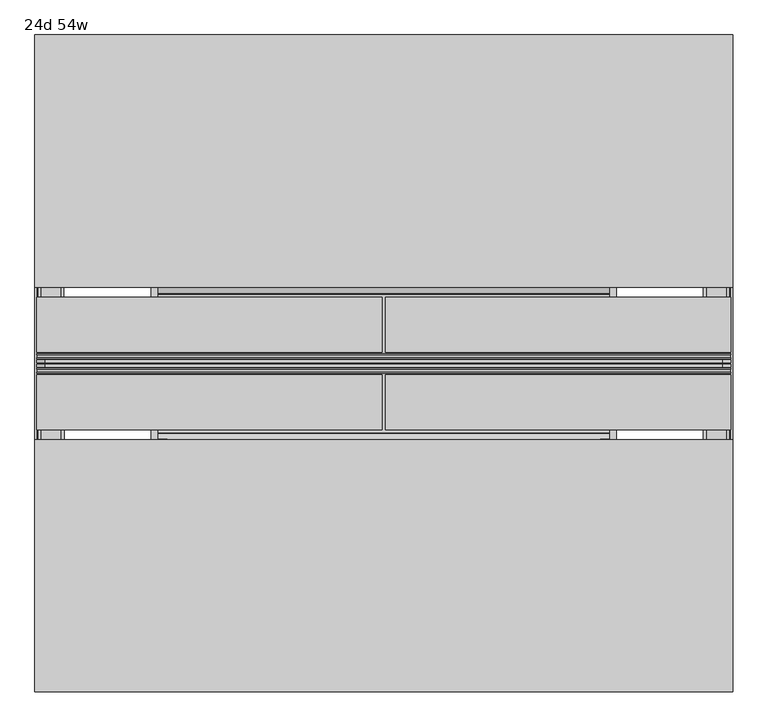
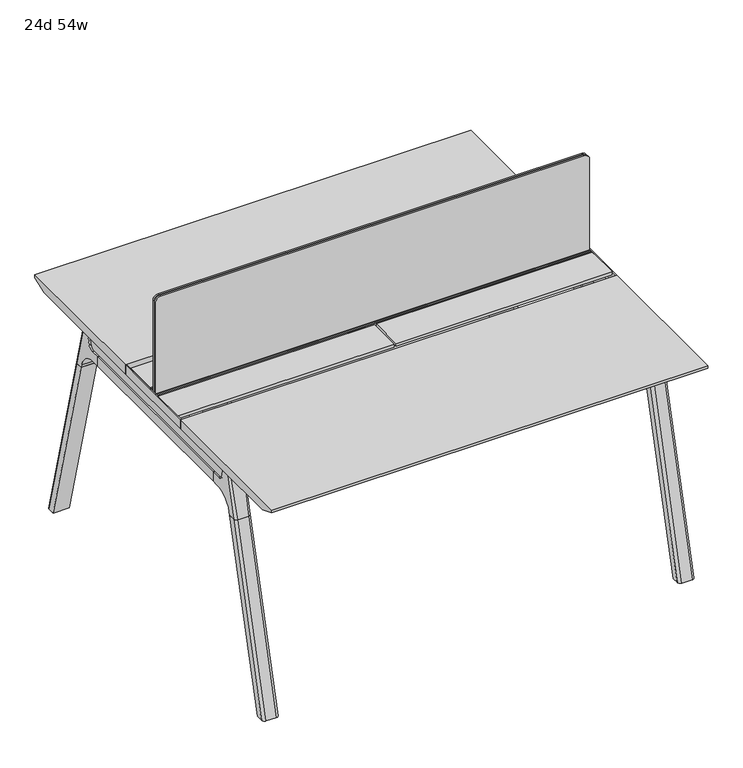
"""IFC4 building model written with IfcOpenShell, lengths in millimetres: furniture geometry, 24d 54w."""

from ifc_helpers import new_model, si_unit, point, frame, frame_2d, origin, place, context, project, spatial, polyline, circle_curve, ellipse_curve, trimmed, segment, composite_curve, outline, extrude, source, transform, mapped, element, save
from ifc_brep_helpers import plane_surface, cylinder_surface, revolved_surface, advanced_brep


def furniture_24d_54w_eca45770(model_context):
    return source(origin(), model_context, "Body", "SolidModel", [
        extrude(outline(composite_curve([segment(polyline([(1054.89375, 879.475), (1054.89375, -447.675)]), True, "CONTINUOUS"), segment(trimmed(circle_curve(frame_2d((1039.01875, -447.675)), 15.875), [point((1054.89375, -447.675))], [point((1039.01875, -463.55))], False, "CARTESIAN"), True, "CONTINUOUS"), segment(polyline([(1039.01875, -463.55), (720.725, -463.55), (720.725, 895.35), (1039.01875, 895.35)]), True, "CONTINUOUS"), segment(trimmed(circle_curve(frame_2d((1039.01875, 879.475)), 15.875), [point((1039.01875, 895.35))], [point((1054.89375, 879.475))], False, "CARTESIAN"), True, "CONTINUOUS")], self_intersect=False)), frame((0.0, -201.3409766, 0.0), z_axis=(0.0, 1.0, 0.0), x_axis=(0.0, 0.0, 1.0)), (0.0, 0.0, 1.0), 3.175),
        extrude(outline(composite_curve([segment(polyline([(1058.06875, 882.65), (1058.06875, -450.85)]), True, "CONTINUOUS"), segment(trimmed(circle_curve(frame_2d((1042.19375, -450.85)), 15.875), [point((1058.06875, -450.85))], [point((1042.19375, -466.725))], False, "CARTESIAN"), True, "CONTINUOUS"), segment(polyline([(1042.19375, -466.725), (717.55, -466.725), (717.55, 898.525), (1042.19375, 898.525)]), True, "CONTINUOUS"), segment(trimmed(circle_curve(frame_2d((1042.19375, 882.65)), 15.875), [point((1042.19375, 898.525))], [point((1058.06875, 882.65))], False, "CARTESIAN"), True, "CONTINUOUS")], self_intersect=False)), frame((0.0, -198.1659766, 0.0), z_axis=(0.0, 1.0, 0.0), x_axis=(0.0, 0.0, 1.0)), (0.0, 0.0, 1.0), 5.55625),
        extrude(outline(composite_curve([segment(polyline([(1058.06875, 882.65), (1058.06875, -450.85)]), True, "CONTINUOUS"), segment(trimmed(circle_curve(frame_2d((1042.19375, -450.85)), 15.875), [point((1058.06875, -450.85))], [point((1042.19375, -466.725))], False, "CARTESIAN"), True, "CONTINUOUS"), segment(polyline([(1042.19375, -466.725), (717.55, -466.725), (717.55, 898.525), (1042.19375, 898.525)]), True, "CONTINUOUS"), segment(trimmed(circle_curve(frame_2d((1042.19375, 882.65)), 15.875), [point((1042.19375, 898.525))], [point((1058.06875, 882.65))], False, "CARTESIAN"), True, "CONTINUOUS")], self_intersect=False)), frame((0.0, -206.8972266, 0.0), z_axis=(0.0, 1.0, 0.0), x_axis=(0.0, 0.0, 1.0)), (0.0, 0.0, 1.0), 5.55625),
        extrude(outline(polyline([(-348.9784469, 559.4636683), (-364.040663, 627.7843353), (-35.4662901, 627.7843353), (-50.5285062, 559.4636683), (-46.7502281, 557.2647146), (-46.7502281, 549.3667827), (-62.6252238, 521.8704736), (-336.8817293, 521.8704736), (-352.756725, 549.3667827), (-352.756725, 557.2647146), (-348.9784469, 559.4636683)])), frame((660.4, 0.0, 0.0), z_axis=(1.0, 0.0, 0.0), x_axis=(0.0, 1.0, 0.0)), (0.0, 0.0, 1.0), 12.7),
        extrude(outline(polyline([(-348.9784469, 559.4636683), (-364.040663, 627.7843353), (-35.4662901, 627.7843353), (-50.5285062, 559.4636683), (-46.7502281, 557.2647146), (-46.7502281, 549.3667827), (-62.6252238, 521.8704736), (-336.8817293, 521.8704736), (-352.756725, 549.3667827), (-352.756725, 557.2647146), (-348.9784469, 559.4636683)])), frame((-241.3, 0.0, 0.0), z_axis=(1.0, 0.0, 0.0), x_axis=(0.0, 1.0, 0.0)), (0.0, 0.0, 1.0), 12.7),
        extrude(outline(polyline([(-18.0090763, 698.5), (3.7767266, 698.5), (3.7767266, 697.2935087), (-17.4495292, 697.2935087), (-19.0070753, 695.7359626), (-49.1186716, 559.1528512), (-50.5285062, 559.4636683), (-20.404074, 696.1050023), (-18.0090763, 698.5)])), frame((-241.3, 0.0, 0.0), z_axis=(1.0, 0.0, 0.0), x_axis=(0.0, 1.0, 0.0)), (0.0, 0.0, 1.0), 31.8008024),
        extrude(outline(polyline([(-381.4978768, 698.5), (-379.1028791, 696.1050023), (-348.9784469, 559.4636683), (-350.3882815, 559.1528512), (-380.4998778, 695.7359626), (-382.0574239, 697.2935087), (-403.2836797, 697.2935087), (-403.2836797, 698.5), (-381.4978768, 698.5)])), frame((-241.3, 0.0, 0.0), z_axis=(1.0, 0.0, 0.0), x_axis=(0.0, 1.0, 0.0)), (0.0, 0.0, 1.0), 31.8008024),
        extrude(outline(polyline([(-18.0090763, 698.5), (3.7767266, 698.5), (3.7767266, 697.2935087), (-17.4495292, 697.2935087), (-19.0070753, 695.7359626), (-49.1186716, 559.1528512), (-50.5285062, 559.4636683), (-20.404074, 696.1050023), (-18.0090763, 698.5)])), frame((641.2991976, 0.0, 0.0), z_axis=(1.0, 0.0, 0.0), x_axis=(0.0, 1.0, 0.0)), (0.0, 0.0, 1.0), 31.8008024),
        extrude(outline(polyline([(-381.4978768, 698.5), (-379.1028791, 696.1050023), (-348.9784469, 559.4636683), (-350.3882815, 559.1528512), (-380.4998778, 695.7359626), (-382.0574239, 697.2935087), (-403.2836797, 697.2935087), (-403.2836797, 698.5), (-381.4978768, 698.5)])), frame((641.2991976, 0.0, 0.0), z_axis=(1.0, 0.0, 0.0), x_axis=(0.0, 1.0, 0.0)), (0.0, 0.0, 1.0), 31.8008024),
        extrude(outline(polyline([(-353.550475, 557.5934966), (-351.518477, 559.6254947), (-350.957211, 559.0642287), (-352.756725, 557.2647146), (-352.756725, 549.3667827), (-352.5317745, 548.5272622), (-337.4390802, 522.3859395), (-336.0037101, 521.5572272), (-63.503243, 521.5572272), (-62.0678729, 522.3859395), (-46.9751786, 548.5272622), (-46.7502281, 549.3667827), (-46.7502281, 557.2647146), (-48.5497421, 559.0642287), (-47.9884761, 559.6254947), (-45.9564781, 557.5934966), (-45.9564781, 549.2622828), (-46.2355217, 548.2208856), (-61.4868074, 521.8048744), (-63.2905581, 520.7634772), (-336.216395, 520.7634772), (-338.0201457, 521.8048744), (-353.2714314, 548.2208856), (-353.550475, 549.2622828), (-353.550475, 557.5934966)])), frame((-241.2492037, 0.0, 0.0), z_axis=(1.0, 0.0, 0.0), x_axis=(0.0, 1.0, 0.0)), (0.0, 0.0, 1.0), 914.3492037),
        extrude(outline(polyline([(-218.8034766, 715.9625), (-218.8034766, 741.3625), (-217.2159766, 741.3625), (-217.2159766, 720.725), (-210.8659766, 720.725), (-210.8659766, 741.3625), (-209.2784766, 741.3625), (-209.2784766, 717.55), (-190.2284766, 717.55), (-190.2284766, 741.3625), (-188.6409766, 741.3625), (-188.6409766, 720.725), (-182.2909766, 720.725), (-182.2909766, 741.3625), (-180.7034766, 741.3625), (-180.7034766, 715.9625), (-218.8034766, 715.9625)])), frame((-466.725, 0.0, 0.0), z_axis=(1.0, 0.0, 0.0), x_axis=(0.0, 1.0, 0.0)), (0.0, 0.0, 1.0), 1365.25),
        extrude(outline(composite_curve([segment(polyline([(175.6902734, 711.2), (166.6321726, 677.3947076)]), True, "CONTINUOUS"), segment(trimmed(circle_curve(frame_2d((151.2981001, 681.5034599)), 15.875), [point((166.6321726, 677.3947076))], [point((151.2981001, 665.6284599))], False, "CARTESIAN"), True, "CONTINUOUS"), segment(polyline([(151.2981001, 665.6284599), (-550.8050533, 665.6284599)]), True, "CONTINUOUS"), segment(trimmed(circle_curve(frame_2d((-550.8050533, 681.5034599)), 15.875), [point((-550.8050533, 665.6284599))], [point((-566.1391258, 677.3947076))], False, "CARTESIAN"), True, "CONTINUOUS"), segment(polyline([(-566.1391258, 677.3947076), (-575.1972266, 711.2), (175.6902734, 711.2)]), True, "CONTINUOUS")], self_intersect=False)), frame((850.9, 0.0, 0.0), z_axis=(1.0, 0.0, 0.0), x_axis=(0.0, 1.0, 0.0)), (0.0, 0.0, 1.0), 38.1),
        extrude(outline(polyline([(895.35, 115.3652734), (895.35, -514.8722266), (844.55, -514.8722266), (844.55, 115.3652734), (895.35, 115.3652734)])), frame((0.0, 0.0, 635.6476591), z_axis=(0.0, 0.0, 1.0), x_axis=(1.0, 0.0, 0.0)), (0.0, 0.0, 1.0), 29.9808008),
        extrude(outline(composite_curve([segment(polyline([(175.6902734, 711.2), (166.6321726, 677.3947076)]), True, "CONTINUOUS"), segment(trimmed(circle_curve(frame_2d((151.2981001, 681.5034599)), 15.875), [point((166.6321726, 677.3947076))], [point((151.2981001, 665.6284599))], False, "CARTESIAN"), True, "CONTINUOUS"), segment(polyline([(151.2981001, 665.6284599), (-550.8050533, 665.6284599)]), True, "CONTINUOUS"), segment(trimmed(circle_curve(frame_2d((-550.8050533, 681.5034599)), 15.875), [point((-550.8050533, 665.6284599))], [point((-566.1391258, 677.3947076))], False, "CARTESIAN"), True, "CONTINUOUS"), segment(polyline([(-566.1391258, 677.3947076), (-575.1972266, 711.2), (175.6902734, 711.2)]), True, "CONTINUOUS")], self_intersect=False)), frame((-457.2, 0.0, 0.0), z_axis=(1.0, 0.0, 0.0), x_axis=(0.0, 1.0, 0.0)), (0.0, 0.0, 1.0), 38.1),
        extrude(outline(polyline([(-412.75, 115.3652734), (-412.75, -514.8722266), (-463.55, -514.8722266), (-463.55, 115.3652734), (-412.75, 115.3652734)])), frame((0.0, 0.0, 635.6476591), z_axis=(0.0, 0.0, 1.0), x_axis=(1.0, 0.0, 0.0)), (0.0, 0.0, 1.0), 29.9808008),
        advanced_brep(
        [(844.55, -568.8935553, 711.2), (844.55, -559.8354545, 677.3947076), (844.55, -544.501382, 665.6284599), (844.55, -514.8722266, 665.6284599), (844.55, -514.8722266, 635.6476591), (844.55, -537.7434588, 635.6476591), (844.55, -602.1465633, 586.2294189), (844.55, -604.7047754, 576.6820411), (844.55, -625.8087453, 576.6820411), (844.55, -590.3601017, 711.2), (895.35, -604.7047754, 576.6820411), (895.35, -602.1465633, 586.2294189), (895.35, -537.7434588, 635.6476591), (895.35, -514.8722266, 635.6476591), (895.35, -514.8722266, 665.6284599), (895.35, -544.501382, 665.6284599), (895.35, -559.8354545, 677.3947076), (895.35, -568.8935553, 711.2), (895.35, -590.3601017, 711.2), (895.35, -625.8087453, 576.6820411), (850.8138162, -599.6149462, 711.2), (889.0861838, -599.6149462, 711.2), (885.825, -635.6589247, 576.6820411), (854.075, -635.6589247, 576.6820411)],
        [
            (0, 1),
            (1, 2, circle_curve(frame((844.55, -544.501382, 681.5034599), z_axis=(1.0, 0.0, 0.0), x_axis=(0.0, -1.0, 0.0)), 15.875)),
            (2, 3),
            (3, 4),
            (4, 5),
            (5, 6, circle_curve(frame((844.55, -537.7434588, 568.9726591), z_axis=(1.0, 0.0, 0.0), x_axis=(0.0, -1.0, 0.0)), 66.675)),
            (6, 7),
            (7, 8),
            (8, 9),
            (9, 0),
            (10, 11),
            (11, 12, circle_curve(frame((895.35, -537.7434588, 568.9726591), z_axis=(-1.0, 0.0, 0.0), x_axis=(0.0, -1.0, 0.0)), 66.675)),
            (12, 13),
            (13, 14),
            (14, 15),
            (15, 16, circle_curve(frame((895.35, -544.501382, 681.5034599), z_axis=(-1.0, 0.0, 0.0), x_axis=(0.0, -1.0, 0.0)), 15.875)),
            (16, 17),
            (17, 18),
            (18, 19),
            (19, 10),
            (17, 0),
            (9, 20, ellipse_curve(frame((854.075, -590.3601017, 711.2), z_axis=(0.0, 0.0, 1.0), x_axis=(0.0, -1.0, 0.0)), 9.8501793, 9.525)),
            (20, 21),
            (21, 18, ellipse_curve(frame((885.825, -590.3601017, 711.2), z_axis=(0.0, 0.0, 1.0), x_axis=(0.0, -1.0, 0.0)), 9.8501793, 9.525)),
            (16, 1),
            (15, 2),
            (14, 3),
            (13, 4),
            (12, 5),
            (11, 6),
            (10, 7),
            (19, 22, ellipse_curve(frame((885.825, -625.8087453, 576.6820411), z_axis=(0.0, 0.0, -1.0), x_axis=(0.0, -1.0, 0.0)), 9.8501793, 9.525)),
            (22, 23),
            (23, 8, ellipse_curve(frame((854.075, -625.8087453, 576.6820411), z_axis=(0.0, 0.0, -1.0), x_axis=(0.0, -1.0, 0.0)), 9.8501793, 9.525)),
            (20, 23, ellipse_curve(frame((854.075, -39.2892106, 2802.3641142), z_axis=(0.0, -0.9659258262890684, 0.2588190451025206), x_axis=(0.0, -0.2588190451025206, -0.9659258262890684)), 2304.1956354, 9.525)),
            (22, 21, ellipse_curve(frame((885.825, -39.2892106, 2802.3641142), z_axis=(0.0, -0.9659258262890684, 0.2588190451025206), x_axis=(0.0, -0.2588190451025206, -0.9659258262890684)), 2304.1956354, 9.525)),
        ],
        [
            plane_surface(frame((844.55, -599.6149462, 711.2), z_axis=(-1.0, 0.0, 0.0), x_axis=(0.0, 1.0, 0.0))),
            plane_surface(frame((895.35, -599.6149462, 711.2), z_axis=(1.0, 0.0, 0.0), x_axis=(0.0, -1.0, 0.0))),
            plane_surface(frame((844.55, -599.6149462, 711.2), z_axis=(0.0, 0.0, 1.0), x_axis=(1.0, 0.0, 0.0))),
            plane_surface(frame((844.55, -568.8935553, 711.2), z_axis=(0.0, 0.9659258262890683, 0.2588190451025207), x_axis=(1.0, 0.0, 0.0))),
            revolved_surface(polyline([(895.35, -560.376382, 681.5034599), (844.55, -560.376382, 681.5034599)]), (895.35, -544.501382, 681.5034599), (1.0, 0.0, 0.0)),
            plane_surface(frame((844.55, -544.501382, 665.6284599), z_axis=(0.0, 0.0, 1.0), x_axis=(1.0, 0.0, 0.0))),
            plane_surface(frame((844.55, -514.8722266, 665.6284599), z_axis=(0.0, 1.0, 0.0), x_axis=(1.0, 0.0, 0.0))),
            plane_surface(frame((844.55, -514.8722266, 635.6476591), z_axis=(0.0, 0.0, -1.0), x_axis=(1.0, 0.0, 0.0))),
            revolved_surface(polyline([(895.35, -604.4184587999999, 568.9726591), (844.55, -604.4184587999999, 568.9726591)]), (895.35, -537.7434588, 568.9726591), (1.0, 0.0, 0.0)),
            plane_surface(frame((844.55, -602.1465633, 586.2294189), z_axis=(0.0, 0.9659258262890693, -0.25881904510251696), x_axis=(1.0, 0.0, 0.0))),
            plane_surface(frame((844.55, -604.7047754, 576.6820411), z_axis=(0.0, 0.0, -1.0), x_axis=(1.0, 0.0, 0.0))),
            plane_surface(frame((844.55, -635.6589247, 576.6820411), z_axis=(0.0, -0.9659258262890684, 0.2588190451025206), x_axis=(1.0, 0.0, 0.0))),
            cylinder_surface(frame((854.075, -778.4176402, -2.4271979), z_axis=(0.0, -0.25482392474081483, -0.966987470125486), x_axis=(1.0, 0.0, 0.0)), 9.525),
            cylinder_surface(frame((885.825, -778.4176402, -2.4271979), z_axis=(0.0, -0.25482392474081483, -0.966987470125486), x_axis=(1.0, 0.0, 0.0)), 9.525),
        ],
        [
            (0, [[1, 2, 3, 4, 5, 6, 7, 8, 9, 10]]),
            (1, [[11, 12, 13, 14, 15, 16, 17, 18, 19, 20]]),
            (2, [[21, -10, 22, 23, 24, -18]]),
            (3, [[-1, -21, -17, 25]]),
            (4, [[-2, -25, -16, 26]]),
            (5, [[-3, -26, -15, 27]]),
            (6, [[-4, -27, -14, 28]]),
            (7, [[-5, -28, -13, 29]]),
            (8, [[-6, -29, -12, 30]]),
            (9, [[-7, -30, -11, 31]]),
            (10, [[-31, -20, 32, 33, 34, -8]]),
            (11, [[-23, 35, -33, 36]]),
            (12, [[-9, -34, -35, -22]]),
            (13, [[-19, -24, -36, -32]]),
        ],
    ),
        advanced_brep(
        [(844.55, -604.7047754, 576.6820411), (844.55, -756.6740466, 0.0), (844.55, -777.7780165, 0.0), (844.55, -625.8087453, 576.6820411), (895.35, -756.6740466, 0.0), (895.35, -604.7047754, 576.6820411), (895.35, -625.8087453, 576.6820411), (895.35, -777.7780165, 0.0), (854.075, -635.6589247, 576.6820411), (885.825, -635.6589247, 576.6820411), (885.825, -787.6281958, 0.0), (854.075, -787.6281958, 0.0)],
        [
            (0, 1),
            (1, 2),
            (2, 3),
            (3, 0),
            (4, 5),
            (5, 6),
            (6, 7),
            (7, 4),
            (5, 0),
            (3, 8, ellipse_curve(frame((854.075, -625.8087453, 576.6820411), z_axis=(0.0, 0.0, 1.0), x_axis=(0.0, -1.0, 0.0)), 9.8501793, 9.525)),
            (8, 9),
            (9, 6, ellipse_curve(frame((885.825, -625.8087453, 576.6820411), z_axis=(0.0, 0.0, 1.0), x_axis=(0.0, -1.0, 0.0)), 9.8501793, 9.525)),
            (4, 1),
            (7, 10, ellipse_curve(frame((885.825, -777.7780165, 0.0), z_axis=(0.0, 0.0, -1.0), x_axis=(0.0, -1.0, 0.0)), 9.8501793, 9.525)),
            (10, 11),
            (11, 2, ellipse_curve(frame((854.075, -777.7780165, 0.0), z_axis=(0.0, 0.0, -1.0), x_axis=(0.0, -1.0, 0.0)), 9.8501793, 9.525)),
            (8, 11),
            (10, 9),
        ],
        [
            plane_surface(frame((844.55, -635.6589247, 576.6820411), z_axis=(-1.0, 0.0, 0.0), x_axis=(0.0, 1.0, 0.0))),
            plane_surface(frame((895.35, -635.6589247, 576.6820411), z_axis=(1.0, 0.0, 0.0), x_axis=(0.0, -1.0, 0.0))),
            plane_surface(frame((844.55, -635.6589247, 576.6820411), z_axis=(0.0, 0.0, 1.0), x_axis=(1.0, 0.0, 0.0))),
            plane_surface(frame((844.55, -604.7047754, 576.6820411), z_axis=(0.0, 0.9669874701254844, -0.2548239247408208), x_axis=(1.0, 0.0, 0.0))),
            plane_surface(frame((844.55, -756.6740466, 0.0), z_axis=(0.0, 0.0, -1.0), x_axis=(1.0, 0.0, 0.0))),
            plane_surface(frame((844.55, -787.6281958, 0.0), z_axis=(0.0, -0.9669874701254855, 0.2548239247408166), x_axis=(1.0, 0.0, 0.0))),
            cylinder_surface(frame((854.075, -778.4176402, -2.4271979), z_axis=(0.0, -0.25482392474081483, -0.966987470125486), x_axis=(1.0, 0.0, 0.0)), 9.525),
            cylinder_surface(frame((885.825, -778.4176402, -2.4271979), z_axis=(0.0, -0.25482392474081483, -0.966987470125486), x_axis=(1.0, 0.0, 0.0)), 9.525),
        ],
        [
            (0, [[1, 2, 3, 4]]),
            (1, [[5, 6, 7, 8]]),
            (2, [[9, -4, 10, 11, 12, -6]]),
            (3, [[-1, -9, -5, 13]]),
            (4, [[-13, -8, 14, 15, 16, -2]]),
            (5, [[-11, 17, -15, 18]]),
            (6, [[-3, -16, -17, -10]]),
            (7, [[-7, -12, -18, -14]]),
        ],
    ),
        advanced_brep(
        [(895.35, 169.3866022, 711.2), (895.35, 160.3285014, 677.3947076), (895.35, 144.9944289, 665.6284599), (895.35, 115.3652734, 665.6284599), (895.35, 115.3652734, 635.6476591), (895.35, 138.2365057, 635.6476591), (895.35, 202.6396101, 586.2294189), (895.35, 205.1978223, 576.6820411), (895.35, 226.3017922, 576.6820411), (895.35, 190.8531486, 711.2), (844.55, 205.1978223, 576.6820411), (844.55, 202.6396101, 586.2294189), (844.55, 138.2365057, 635.6476591), (844.55, 115.3652734, 635.6476591), (844.55, 115.3652734, 665.6284599), (844.55, 144.9944289, 665.6284599), (844.55, 160.3285014, 677.3947076), (844.55, 169.3866022, 711.2), (844.55, 190.8531486, 711.2), (844.55, 226.3017922, 576.6820411), (889.0861838, 200.1079931, 711.2), (850.8138162, 200.1079931, 711.2), (854.075, 236.1519716, 576.6820411), (885.825, 236.1519716, 576.6820411)],
        [
            (0, 1),
            (1, 2, circle_curve(frame((895.35, 144.9944289, 681.5034599), z_axis=(-1.0, 0.0, 0.0), x_axis=(0.0, 1.0, 0.0)), 15.875)),
            (2, 3),
            (3, 4),
            (4, 5),
            (5, 6, circle_curve(frame((895.35, 138.2365057, 568.9726591), z_axis=(-1.0, 0.0, 0.0), x_axis=(0.0, 1.0, 0.0)), 66.675)),
            (6, 7),
            (7, 8),
            (8, 9),
            (9, 0),
            (10, 11),
            (11, 12, circle_curve(frame((844.55, 138.2365057, 568.9726591), z_axis=(1.0, 0.0, 0.0), x_axis=(0.0, 1.0, 0.0)), 66.675)),
            (12, 13),
            (13, 14),
            (14, 15),
            (15, 16, circle_curve(frame((844.55, 144.9944289, 681.5034599), z_axis=(1.0, 0.0, 0.0), x_axis=(0.0, 1.0, 0.0)), 15.875)),
            (16, 17),
            (17, 18),
            (18, 19),
            (19, 10),
            (17, 0),
            (9, 20, ellipse_curve(frame((885.825, 190.8531486, 711.2), z_axis=(0.0, 0.0, 1.0), x_axis=(0.0, 1.0, 0.0)), 9.8501793, 9.525)),
            (20, 21),
            (21, 18, ellipse_curve(frame((854.075, 190.8531486, 711.2), z_axis=(0.0, 0.0, 1.0), x_axis=(0.0, 1.0, 0.0)), 9.8501793, 9.525)),
            (16, 1),
            (15, 2),
            (14, 3),
            (13, 4),
            (12, 5),
            (11, 6),
            (10, 7),
            (19, 22, ellipse_curve(frame((854.075, 226.3017922, 576.6820411), z_axis=(0.0, 0.0, -1.0), x_axis=(0.0, 1.0, 0.0)), 9.8501793, 9.525)),
            (22, 23),
            (23, 8, ellipse_curve(frame((885.825, 226.3017922, 576.6820411), z_axis=(0.0, 0.0, -1.0), x_axis=(0.0, 1.0, 0.0)), 9.8501793, 9.525)),
            (20, 23, ellipse_curve(frame((885.825, -360.2177425, 2802.3641142), z_axis=(0.0, 0.9659258262890684, 0.2588190451025206), x_axis=(0.0, 0.2588190451025206, -0.9659258262890684)), 2304.1956354, 9.525)),
            (22, 21, ellipse_curve(frame((854.075, -360.2177425, 2802.3641142), z_axis=(0.0, 0.9659258262890684, 0.2588190451025206), x_axis=(0.0, 0.2588190451025206, -0.9659258262890684)), 2304.1956354, 9.525)),
        ],
        [
            plane_surface(frame((895.35, 200.1079931, 711.2), z_axis=(1.0, 0.0, 0.0), x_axis=(0.0, -1.0, 0.0))),
            plane_surface(frame((844.55, 200.1079931, 711.2), z_axis=(-1.0, 0.0, 0.0), x_axis=(0.0, 1.0, 0.0))),
            plane_surface(frame((895.35, 200.1079931, 711.2), z_axis=(0.0, 0.0, 1.0), x_axis=(-1.0, 0.0, 0.0))),
            plane_surface(frame((895.35, 169.3866022, 711.2), z_axis=(0.0, -0.9659258262890683, 0.2588190451025207), x_axis=(-1.0, 0.0, 0.0))),
            revolved_surface(polyline([(844.55, 160.8694289, 681.5034599), (895.35, 160.8694289, 681.5034599)]), (844.55, 144.9944289, 681.5034599), (-1.0, 0.0, 0.0)),
            plane_surface(frame((895.35, 144.9944289, 665.6284599), z_axis=(0.0, 0.0, 1.0), x_axis=(-1.0, 0.0, 0.0))),
            plane_surface(frame((895.35, 115.3652734, 665.6284599), z_axis=(0.0, -1.0, 0.0), x_axis=(-1.0, 0.0, 0.0))),
            plane_surface(frame((895.35, 115.3652734, 635.6476591), z_axis=(0.0, 0.0, -1.0), x_axis=(-1.0, 0.0, 0.0))),
            revolved_surface(polyline([(844.55, 204.91150570000002, 568.9726591), (895.35, 204.91150570000002, 568.9726591)]), (844.55, 138.2365057, 568.9726591), (-1.0, 0.0, 0.0)),
            plane_surface(frame((895.35, 202.6396101, 586.2294189), z_axis=(0.0, -0.9659258262890693, -0.25881904510251696), x_axis=(-1.0, 0.0, 0.0))),
            plane_surface(frame((895.35, 205.1978223, 576.6820411), z_axis=(0.0, 0.0, -1.0), x_axis=(-1.0, 0.0, 0.0))),
            plane_surface(frame((895.35, 236.1519716, 576.6820411), z_axis=(0.0, 0.9659258262890684, 0.2588190451025206), x_axis=(-1.0, 0.0, 0.0))),
            cylinder_surface(frame((885.825, 378.9106871, -2.4271979), z_axis=(0.0, 0.25482392474081483, -0.966987470125486), x_axis=(-1.0, 0.0, 0.0)), 9.525),
            cylinder_surface(frame((854.075, 378.9106871, -2.4271979), z_axis=(0.0, 0.25482392474081483, -0.966987470125486), x_axis=(-1.0, 0.0, 0.0)), 9.525),
        ],
        [
            (0, [[1, 2, 3, 4, 5, 6, 7, 8, 9, 10]]),
            (1, [[11, 12, 13, 14, 15, 16, 17, 18, 19, 20]]),
            (2, [[21, -10, 22, 23, 24, -18]]),
            (3, [[-1, -21, -17, 25]]),
            (4, [[-2, -25, -16, 26]]),
            (5, [[-3, -26, -15, 27]]),
            (6, [[-4, -27, -14, 28]]),
            (7, [[-5, -28, -13, 29]]),
            (8, [[-6, -29, -12, 30]]),
            (9, [[-7, -30, -11, 31]]),
            (10, [[-31, -20, 32, 33, 34, -8]]),
            (11, [[-23, 35, -33, 36]]),
            (12, [[-9, -34, -35, -22]]),
            (13, [[-19, -24, -36, -32]]),
        ],
    ),
        advanced_brep(
        [(895.35, 205.1978223, 576.6820411), (895.35, 357.1670935, 0.0), (895.35, 378.2710634, 0.0), (895.35, 226.3017922, 576.6820411), (844.55, 357.1670935, 0.0), (844.55, 205.1978223, 576.6820411), (844.55, 226.3017922, 576.6820411), (844.55, 378.2710634, 0.0), (885.825, 236.1519716, 576.6820411), (854.075, 236.1519716, 576.6820411), (854.075, 388.1212427, 0.0), (885.825, 388.1212427, 0.0)],
        [
            (0, 1),
            (1, 2),
            (2, 3),
            (3, 0),
            (4, 5),
            (5, 6),
            (6, 7),
            (7, 4),
            (5, 0),
            (3, 8, ellipse_curve(frame((885.825, 226.3017922, 576.6820411), z_axis=(0.0, 0.0, 1.0), x_axis=(0.0, 1.0, 0.0)), 9.8501793, 9.525)),
            (8, 9),
            (9, 6, ellipse_curve(frame((854.075, 226.3017922, 576.6820411), z_axis=(0.0, 0.0, 1.0), x_axis=(0.0, 1.0, 0.0)), 9.8501793, 9.525)),
            (4, 1),
            (7, 10, ellipse_curve(frame((854.075, 378.2710634, 0.0), z_axis=(0.0, 0.0, -1.0), x_axis=(0.0, 1.0, 0.0)), 9.8501793, 9.525)),
            (10, 11),
            (11, 2, ellipse_curve(frame((885.825, 378.2710634, 0.0), z_axis=(0.0, 0.0, -1.0), x_axis=(0.0, 1.0, 0.0)), 9.8501793, 9.525)),
            (8, 11),
            (10, 9),
        ],
        [
            plane_surface(frame((895.35, 236.1519716, 576.6820411), z_axis=(1.0, 0.0, 0.0), x_axis=(0.0, -1.0, 0.0))),
            plane_surface(frame((844.55, 236.1519716, 576.6820411), z_axis=(-1.0, 0.0, 0.0), x_axis=(0.0, 1.0, 0.0))),
            plane_surface(frame((895.35, 236.1519716, 576.6820411), z_axis=(0.0, 0.0, 1.0), x_axis=(-1.0, 0.0, 0.0))),
            plane_surface(frame((895.35, 205.1978223, 576.6820411), z_axis=(0.0, -0.9669874701254844, -0.2548239247408208), x_axis=(-1.0, 0.0, 0.0))),
            plane_surface(frame((895.35, 357.1670935, 0.0), z_axis=(0.0, 0.0, -1.0), x_axis=(-1.0, 0.0, 0.0))),
            plane_surface(frame((895.35, 388.1212427, 0.0), z_axis=(0.0, 0.9669874701254855, 0.2548239247408166), x_axis=(-1.0, 0.0, 0.0))),
            cylinder_surface(frame((885.825, 378.9106871, -2.4271979), z_axis=(0.0, 0.25482392474081483, -0.966987470125486), x_axis=(-1.0, 0.0, 0.0)), 9.525),
            cylinder_surface(frame((854.075, 378.9106871, -2.4271979), z_axis=(0.0, 0.25482392474081483, -0.966987470125486), x_axis=(-1.0, 0.0, 0.0)), 9.525),
        ],
        [
            (0, [[1, 2, 3, 4]]),
            (1, [[5, 6, 7, 8]]),
            (2, [[9, -4, 10, 11, 12, -6]]),
            (3, [[-1, -9, -5, 13]]),
            (4, [[-13, -8, 14, 15, 16, -2]]),
            (5, [[-11, 17, -15, 18]]),
            (6, [[-3, -16, -17, -10]]),
            (7, [[-7, -12, -18, -14]]),
        ],
    ),
        advanced_brep(
        [(-412.75, 169.3866022, 711.2), (-412.75, 160.3285014, 677.3947076), (-412.75, 144.9944289, 665.6284599), (-412.75, 115.3652734, 665.6284599), (-412.75, 115.3652734, 635.6476591), (-412.75, 138.2365057, 635.6476591), (-412.75, 202.6396101, 586.2294189), (-412.75, 205.1978223, 576.6820411), (-412.75, 226.3017922, 576.6820411), (-412.75, 190.8531486, 711.2), (-463.55, 205.1978223, 576.6820411), (-463.55, 202.6396101, 586.2294189), (-463.55, 138.2365057, 635.6476591), (-463.55, 115.3652734, 635.6476591), (-463.55, 115.3652734, 665.6284599), (-463.55, 144.9944289, 665.6284599), (-463.55, 160.3285014, 677.3947076), (-463.55, 169.3866022, 711.2), (-463.55, 190.8531486, 711.2), (-463.55, 226.3017922, 576.6820411), (-419.0138162, 200.1079931, 711.2), (-457.2861838, 200.1079931, 711.2), (-454.025, 236.1519716, 576.6820411), (-422.275, 236.1519716, 576.6820411)],
        [
            (0, 1),
            (1, 2, circle_curve(frame((-412.75, 144.9944289, 681.5034599), z_axis=(-1.0, 0.0, 0.0), x_axis=(0.0, 1.0, 0.0)), 15.875)),
            (2, 3),
            (3, 4),
            (4, 5),
            (5, 6, circle_curve(frame((-412.75, 138.2365057, 568.9726591), z_axis=(-1.0, 0.0, 0.0), x_axis=(0.0, 1.0, 0.0)), 66.675)),
            (6, 7),
            (7, 8),
            (8, 9),
            (9, 0),
            (10, 11),
            (11, 12, circle_curve(frame((-463.55, 138.2365057, 568.9726591), z_axis=(1.0, 0.0, 0.0), x_axis=(0.0, 1.0, 0.0)), 66.675)),
            (12, 13),
            (13, 14),
            (14, 15),
            (15, 16, circle_curve(frame((-463.55, 144.9944289, 681.5034599), z_axis=(1.0, 0.0, 0.0), x_axis=(0.0, 1.0, 0.0)), 15.875)),
            (16, 17),
            (17, 18),
            (18, 19),
            (19, 10),
            (17, 0),
            (9, 20, ellipse_curve(frame((-422.275, 190.8531486, 711.2), z_axis=(0.0, 0.0, 1.0), x_axis=(0.0, 1.0, 0.0)), 9.8501793, 9.525)),
            (20, 21),
            (21, 18, ellipse_curve(frame((-454.025, 190.8531486, 711.2), z_axis=(0.0, 0.0, 1.0), x_axis=(0.0, 1.0, 0.0)), 9.8501793, 9.525)),
            (16, 1),
            (15, 2),
            (14, 3),
            (13, 4),
            (12, 5),
            (11, 6),
            (10, 7),
            (19, 22, ellipse_curve(frame((-454.025, 226.3017922, 576.6820411), z_axis=(0.0, 0.0, -1.0), x_axis=(0.0, 1.0, 0.0)), 9.8501793, 9.525)),
            (22, 23),
            (23, 8, ellipse_curve(frame((-422.275, 226.3017922, 576.6820411), z_axis=(0.0, 0.0, -1.0), x_axis=(0.0, 1.0, 0.0)), 9.8501793, 9.525)),
            (20, 23, ellipse_curve(frame((-422.275, -360.2177425, 2802.3641142), z_axis=(0.0, 0.9659258262890684, 0.2588190451025206), x_axis=(0.0, 0.2588190451025206, -0.9659258262890684)), 2304.1956354, 9.525)),
            (22, 21, ellipse_curve(frame((-454.025, -360.2177425, 2802.3641142), z_axis=(0.0, 0.9659258262890684, 0.2588190451025206), x_axis=(0.0, 0.2588190451025206, -0.9659258262890684)), 2304.1956354, 9.525)),
        ],
        [
            plane_surface(frame((-412.75, 200.1079931, 711.2), z_axis=(1.0, 0.0, 0.0), x_axis=(0.0, -1.0, 0.0))),
            plane_surface(frame((-463.55, 200.1079931, 711.2), z_axis=(-1.0, 0.0, 0.0), x_axis=(0.0, 1.0, 0.0))),
            plane_surface(frame((-412.75, 200.1079931, 711.2), z_axis=(0.0, 0.0, 1.0), x_axis=(-1.0, 0.0, 0.0))),
            plane_surface(frame((-412.75, 169.3866022, 711.2), z_axis=(0.0, -0.9659258262890683, 0.2588190451025207), x_axis=(-1.0, 0.0, 0.0))),
            revolved_surface(polyline([(-463.55, 160.8694289, 681.5034599), (-412.75, 160.8694289, 681.5034599)]), (-463.55, 144.9944289, 681.5034599), (-1.0, 0.0, 0.0)),
            plane_surface(frame((-412.75, 144.9944289, 665.6284599), z_axis=(0.0, 0.0, 1.0), x_axis=(-1.0, 0.0, 0.0))),
            plane_surface(frame((-412.75, 115.3652734, 665.6284599), z_axis=(0.0, -1.0, 0.0), x_axis=(-1.0, 0.0, 0.0))),
            plane_surface(frame((-412.75, 115.3652734, 635.6476591), z_axis=(0.0, 0.0, -1.0), x_axis=(-1.0, 0.0, 0.0))),
            revolved_surface(polyline([(-463.55, 204.91150570000002, 568.9726591), (-412.75, 204.91150570000002, 568.9726591)]), (-463.55, 138.2365057, 568.9726591), (-1.0, 0.0, 0.0)),
            plane_surface(frame((-412.75, 202.6396101, 586.2294189), z_axis=(0.0, -0.9659258262890693, -0.25881904510251696), x_axis=(-1.0, 0.0, 0.0))),
            plane_surface(frame((-412.75, 205.1978223, 576.6820411), z_axis=(0.0, 0.0, -1.0), x_axis=(-1.0, 0.0, 0.0))),
            plane_surface(frame((-412.75, 236.1519716, 576.6820411), z_axis=(0.0, 0.9659258262890684, 0.2588190451025206), x_axis=(-1.0, 0.0, 0.0))),
            cylinder_surface(frame((-422.275, 378.9106871, -2.4271979), z_axis=(0.0, 0.25482392474081483, -0.966987470125486), x_axis=(-1.0, 0.0, 0.0)), 9.525),
            cylinder_surface(frame((-454.025, 378.9106871, -2.4271979), z_axis=(0.0, 0.25482392474081483, -0.966987470125486), x_axis=(-1.0, 0.0, 0.0)), 9.525),
        ],
        [
            (0, [[1, 2, 3, 4, 5, 6, 7, 8, 9, 10]]),
            (1, [[11, 12, 13, 14, 15, 16, 17, 18, 19, 20]]),
            (2, [[21, -10, 22, 23, 24, -18]]),
            (3, [[-1, -21, -17, 25]]),
            (4, [[-2, -25, -16, 26]]),
            (5, [[-3, -26, -15, 27]]),
            (6, [[-4, -27, -14, 28]]),
            (7, [[-5, -28, -13, 29]]),
            (8, [[-6, -29, -12, 30]]),
            (9, [[-7, -30, -11, 31]]),
            (10, [[-31, -20, 32, 33, 34, -8]]),
            (11, [[-23, 35, -33, 36]]),
            (12, [[-9, -34, -35, -22]]),
            (13, [[-19, -24, -36, -32]]),
        ],
    ),
        advanced_brep(
        [(-412.75, 205.1978223, 576.6820411), (-412.75, 357.1670935, 0.0), (-412.75, 378.2710634, 0.0), (-412.75, 226.3017922, 576.6820411), (-463.55, 357.1670935, 0.0), (-463.55, 205.1978223, 576.6820411), (-463.55, 226.3017922, 576.6820411), (-463.55, 378.2710634, 0.0), (-422.275, 236.1519716, 576.6820411), (-454.025, 236.1519716, 576.6820411), (-454.025, 388.1212427, 0.0), (-422.275, 388.1212427, 0.0)],
        [
            (0, 1),
            (1, 2),
            (2, 3),
            (3, 0),
            (4, 5),
            (5, 6),
            (6, 7),
            (7, 4),
            (5, 0),
            (3, 8, ellipse_curve(frame((-422.275, 226.3017922, 576.6820411), z_axis=(0.0, 0.0, 1.0), x_axis=(0.0, 1.0, 0.0)), 9.8501793, 9.525)),
            (8, 9),
            (9, 6, ellipse_curve(frame((-454.025, 226.3017922, 576.6820411), z_axis=(0.0, 0.0, 1.0), x_axis=(0.0, 1.0, 0.0)), 9.8501793, 9.525)),
            (4, 1),
            (7, 10, ellipse_curve(frame((-454.025, 378.2710634, 0.0), z_axis=(0.0, 0.0, -1.0), x_axis=(0.0, 1.0, 0.0)), 9.8501793, 9.525)),
            (10, 11),
            (11, 2, ellipse_curve(frame((-422.275, 378.2710634, 0.0), z_axis=(0.0, 0.0, -1.0), x_axis=(0.0, 1.0, 0.0)), 9.8501793, 9.525)),
            (8, 11),
            (10, 9),
        ],
        [
            plane_surface(frame((-412.75, 236.1519716, 576.6820411), z_axis=(1.0, 0.0, 0.0), x_axis=(0.0, -1.0, 0.0))),
            plane_surface(frame((-463.55, 236.1519716, 576.6820411), z_axis=(-1.0, 0.0, 0.0), x_axis=(0.0, 1.0, 0.0))),
            plane_surface(frame((-412.75, 236.1519716, 576.6820411), z_axis=(0.0, 0.0, 1.0), x_axis=(-1.0, 0.0, 0.0))),
            plane_surface(frame((-412.75, 205.1978223, 576.6820411), z_axis=(0.0, -0.9669874701254844, -0.2548239247408208), x_axis=(-1.0, 0.0, 0.0))),
            plane_surface(frame((-412.75, 357.1670935, 0.0), z_axis=(0.0, 0.0, -1.0), x_axis=(-1.0, 0.0, 0.0))),
            plane_surface(frame((-412.75, 388.1212427, 0.0), z_axis=(0.0, 0.9669874701254855, 0.2548239247408166), x_axis=(-1.0, 0.0, 0.0))),
            cylinder_surface(frame((-422.275, 378.9106871, -2.4271979), z_axis=(0.0, 0.25482392474081483, -0.966987470125486), x_axis=(-1.0, 0.0, 0.0)), 9.525),
            cylinder_surface(frame((-454.025, 378.9106871, -2.4271979), z_axis=(0.0, 0.25482392474081483, -0.966987470125486), x_axis=(-1.0, 0.0, 0.0)), 9.525),
        ],
        [
            (0, [[1, 2, 3, 4]]),
            (1, [[5, 6, 7, 8]]),
            (2, [[9, -4, 10, 11, 12, -6]]),
            (3, [[-1, -9, -5, 13]]),
            (4, [[-13, -8, 14, 15, 16, -2]]),
            (5, [[-11, 17, -15, 18]]),
            (6, [[-3, -16, -17, -10]]),
            (7, [[-7, -12, -18, -14]]),
        ],
    ),
        advanced_brep(
        [(-463.55, -568.8935553, 711.2), (-463.55, -559.8354545, 677.3947076), (-463.55, -544.501382, 665.6284599), (-463.55, -514.8722266, 665.6284599), (-463.55, -514.8722266, 635.6476591), (-463.55, -537.7434588, 635.6476591), (-463.55, -602.1465633, 586.2294189), (-463.55, -604.7047754, 576.6820411), (-463.55, -625.8087453, 576.6820411), (-463.55, -590.3601017, 711.2), (-412.75, -604.7047754, 576.6820411), (-412.75, -602.1465633, 586.2294189), (-412.75, -537.7434588, 635.6476591), (-412.75, -514.8722266, 635.6476591), (-412.75, -514.8722266, 665.6284599), (-412.75, -544.501382, 665.6284599), (-412.75, -559.8354545, 677.3947076), (-412.75, -568.8935553, 711.2), (-412.75, -590.3601017, 711.2), (-412.75, -625.8087453, 576.6820411), (-457.2861838, -599.6149462, 711.2), (-419.0138162, -599.6149462, 711.2), (-422.275, -635.6589247, 576.6820411), (-454.025, -635.6589247, 576.6820411)],
        [
            (0, 1),
            (1, 2, circle_curve(frame((-463.55, -544.501382, 681.5034599), z_axis=(1.0, 0.0, 0.0), x_axis=(0.0, -1.0, 0.0)), 15.875)),
            (2, 3),
            (3, 4),
            (4, 5),
            (5, 6, circle_curve(frame((-463.55, -537.7434588, 568.9726591), z_axis=(1.0, 0.0, 0.0), x_axis=(0.0, -1.0, 0.0)), 66.675)),
            (6, 7),
            (7, 8),
            (8, 9),
            (9, 0),
            (10, 11),
            (11, 12, circle_curve(frame((-412.75, -537.7434588, 568.9726591), z_axis=(-1.0, 0.0, 0.0), x_axis=(0.0, -1.0, 0.0)), 66.675)),
            (12, 13),
            (13, 14),
            (14, 15),
            (15, 16, circle_curve(frame((-412.75, -544.501382, 681.5034599), z_axis=(-1.0, 0.0, 0.0), x_axis=(0.0, -1.0, 0.0)), 15.875)),
            (16, 17),
            (17, 18),
            (18, 19),
            (19, 10),
            (17, 0),
            (9, 20, ellipse_curve(frame((-454.025, -590.3601017, 711.2), z_axis=(0.0, 0.0, 1.0), x_axis=(0.0, -1.0, 0.0)), 9.8501793, 9.525)),
            (20, 21),
            (21, 18, ellipse_curve(frame((-422.275, -590.3601017, 711.2), z_axis=(0.0, 0.0, 1.0), x_axis=(0.0, -1.0, 0.0)), 9.8501793, 9.525)),
            (16, 1),
            (15, 2),
            (14, 3),
            (13, 4),
            (12, 5),
            (11, 6),
            (10, 7),
            (19, 22, ellipse_curve(frame((-422.275, -625.8087453, 576.6820411), z_axis=(0.0, 0.0, -1.0), x_axis=(0.0, -1.0, 0.0)), 9.8501793, 9.525)),
            (22, 23),
            (23, 8, ellipse_curve(frame((-454.025, -625.8087453, 576.6820411), z_axis=(0.0, 0.0, -1.0), x_axis=(0.0, -1.0, 0.0)), 9.8501793, 9.525)),
            (20, 23, ellipse_curve(frame((-454.025, -39.2892106, 2802.3641142), z_axis=(0.0, -0.9659258262890684, 0.2588190451025206), x_axis=(0.0, -0.2588190451025206, -0.9659258262890684)), 2304.1956354, 9.525)),
            (22, 21, ellipse_curve(frame((-422.275, -39.2892106, 2802.3641142), z_axis=(0.0, -0.9659258262890684, 0.2588190451025206), x_axis=(0.0, -0.2588190451025206, -0.9659258262890684)), 2304.1956354, 9.525)),
        ],
        [
            plane_surface(frame((-463.55, -599.6149462, 711.2), z_axis=(-1.0, 0.0, 0.0), x_axis=(0.0, 1.0, 0.0))),
            plane_surface(frame((-412.75, -599.6149462, 711.2), z_axis=(1.0, 0.0, 0.0), x_axis=(0.0, -1.0, 0.0))),
            plane_surface(frame((-463.55, -599.6149462, 711.2), z_axis=(0.0, 0.0, 1.0), x_axis=(1.0, 0.0, 0.0))),
            plane_surface(frame((-463.55, -568.8935553, 711.2), z_axis=(0.0, 0.9659258262890683, 0.2588190451025207), x_axis=(1.0, 0.0, 0.0))),
            revolved_surface(polyline([(-412.75, -560.376382, 681.5034599), (-463.55, -560.376382, 681.5034599)]), (-412.75, -544.501382, 681.5034599), (1.0, 0.0, 0.0)),
            plane_surface(frame((-463.55, -544.501382, 665.6284599), z_axis=(0.0, 0.0, 1.0), x_axis=(1.0, 0.0, 0.0))),
            plane_surface(frame((-463.55, -514.8722266, 665.6284599), z_axis=(0.0, 1.0, 0.0), x_axis=(1.0, 0.0, 0.0))),
            plane_surface(frame((-463.55, -514.8722266, 635.6476591), z_axis=(0.0, 0.0, -1.0), x_axis=(1.0, 0.0, 0.0))),
            revolved_surface(polyline([(-412.75, -604.4184587999999, 568.9726591), (-463.55, -604.4184587999999, 568.9726591)]), (-412.75, -537.7434588, 568.9726591), (1.0, 0.0, 0.0)),
            plane_surface(frame((-463.55, -602.1465633, 586.2294189), z_axis=(0.0, 0.9659258262890693, -0.25881904510251696), x_axis=(1.0, 0.0, 0.0))),
            plane_surface(frame((-463.55, -604.7047754, 576.6820411), z_axis=(0.0, 0.0, -1.0), x_axis=(1.0, 0.0, 0.0))),
            plane_surface(frame((-463.55, -635.6589247, 576.6820411), z_axis=(0.0, -0.9659258262890684, 0.2588190451025206), x_axis=(1.0, 0.0, 0.0))),
            cylinder_surface(frame((-454.025, -778.4176402, -2.4271979), z_axis=(0.0, -0.25482392474081483, -0.966987470125486), x_axis=(1.0, 0.0, 0.0)), 9.525),
            cylinder_surface(frame((-422.275, -778.4176402, -2.4271979), z_axis=(0.0, -0.25482392474081483, -0.966987470125486), x_axis=(1.0, 0.0, 0.0)), 9.525),
        ],
        [
            (0, [[1, 2, 3, 4, 5, 6, 7, 8, 9, 10]]),
            (1, [[11, 12, 13, 14, 15, 16, 17, 18, 19, 20]]),
            (2, [[21, -10, 22, 23, 24, -18]]),
            (3, [[-1, -21, -17, 25]]),
            (4, [[-2, -25, -16, 26]]),
            (5, [[-3, -26, -15, 27]]),
            (6, [[-4, -27, -14, 28]]),
            (7, [[-5, -28, -13, 29]]),
            (8, [[-6, -29, -12, 30]]),
            (9, [[-7, -30, -11, 31]]),
            (10, [[-31, -20, 32, 33, 34, -8]]),
            (11, [[-23, 35, -33, 36]]),
            (12, [[-9, -34, -35, -22]]),
            (13, [[-19, -24, -36, -32]]),
        ],
    ),
        advanced_brep(
        [(-463.55, -604.7047754, 576.6820411), (-463.55, -756.6740466, 0.0), (-463.55, -777.7780165, 0.0), (-463.55, -625.8087453, 576.6820411), (-412.75, -756.6740466, 0.0), (-412.75, -604.7047754, 576.6820411), (-412.75, -625.8087453, 576.6820411), (-412.75, -777.7780165, 0.0), (-454.025, -635.6589247, 576.6820411), (-422.275, -635.6589247, 576.6820411), (-422.275, -787.6281958, 0.0), (-454.025, -787.6281958, 0.0)],
        [
            (0, 1),
            (1, 2),
            (2, 3),
            (3, 0),
            (4, 5),
            (5, 6),
            (6, 7),
            (7, 4),
            (5, 0),
            (3, 8, ellipse_curve(frame((-454.025, -625.8087453, 576.6820411), z_axis=(0.0, 0.0, 1.0), x_axis=(0.0, -1.0, 0.0)), 9.8501793, 9.525)),
            (8, 9),
            (9, 6, ellipse_curve(frame((-422.275, -625.8087453, 576.6820411), z_axis=(0.0, 0.0, 1.0), x_axis=(0.0, -1.0, 0.0)), 9.8501793, 9.525)),
            (4, 1),
            (7, 10, ellipse_curve(frame((-422.275, -777.7780165, 0.0), z_axis=(0.0, 0.0, -1.0), x_axis=(0.0, -1.0, 0.0)), 9.8501793, 9.525)),
            (10, 11),
            (11, 2, ellipse_curve(frame((-454.025, -777.7780165, 0.0), z_axis=(0.0, 0.0, -1.0), x_axis=(0.0, -1.0, 0.0)), 9.8501793, 9.525)),
            (8, 11),
            (10, 9),
        ],
        [
            plane_surface(frame((-463.55, -635.6589247, 576.6820411), z_axis=(-1.0, 0.0, 0.0), x_axis=(0.0, 1.0, 0.0))),
            plane_surface(frame((-412.75, -635.6589247, 576.6820411), z_axis=(1.0, 0.0, 0.0), x_axis=(0.0, -1.0, 0.0))),
            plane_surface(frame((-463.55, -635.6589247, 576.6820411), z_axis=(0.0, 0.0, 1.0), x_axis=(1.0, 0.0, 0.0))),
            plane_surface(frame((-463.55, -604.7047754, 576.6820411), z_axis=(0.0, 0.9669874701254844, -0.2548239247408208), x_axis=(1.0, 0.0, 0.0))),
            plane_surface(frame((-463.55, -756.6740466, 0.0), z_axis=(0.0, 0.0, -1.0), x_axis=(1.0, 0.0, 0.0))),
            plane_surface(frame((-463.55, -787.6281958, 0.0), z_axis=(0.0, -0.9669874701254855, 0.2548239247408166), x_axis=(1.0, 0.0, 0.0))),
            cylinder_surface(frame((-454.025, -778.4176402, -2.4271979), z_axis=(0.0, -0.25482392474081483, -0.966987470125486), x_axis=(1.0, 0.0, 0.0)), 9.525),
            cylinder_surface(frame((-422.275, -778.4176402, -2.4271979), z_axis=(0.0, -0.25482392474081483, -0.966987470125486), x_axis=(1.0, 0.0, 0.0)), 9.525),
        ],
        [
            (0, [[1, 2, 3, 4]]),
            (1, [[5, 6, 7, 8]]),
            (2, [[9, -4, 10, 11, 12, -6]]),
            (3, [[-1, -9, -5, 13]]),
            (4, [[-13, -8, 14, 15, 16, -2]]),
            (5, [[-11, 17, -15, 18]]),
            (6, [[-3, -16, -17, -10]]),
            (7, [[-7, -12, -18, -14]]),
        ],
    ),
        extrude(outline(polyline([(-49.7347266, 741.3625), (445.5652734, 741.3625), (445.5652734, 731.8375), (394.7652734, 711.2), (-49.7347266, 711.2), (-49.7347266, 741.3625)])), frame((-469.9, 0.0, 0.0), z_axis=(1.0, 0.0, 0.0), x_axis=(0.0, 1.0, 0.0)), (0.0, 0.0, 1.0), 1371.6),
        extrude(outline(polyline([(-845.0722266, 741.3625), (-349.7722266, 741.3625), (-349.7722266, 711.2), (-794.2722266, 711.2), (-845.0722266, 731.8375), (-845.0722266, 741.3625)])), frame((-469.9, 0.0, 0.0), z_axis=(1.0, 0.0, 0.0), x_axis=(0.0, 1.0, 0.0)), (0.0, 0.0, 1.0), 1371.6),
        extrude(outline(polyline([(212.725, -69.5784766), (212.725, -177.5284766), (-466.725, -177.5284766), (-466.725, -69.5784766), (212.725, -69.5784766)])), frame((0.0, 0.0, 731.8375), z_axis=(0.0, 0.0, 1.0), x_axis=(1.0, 0.0, 0.0)), (0.0, 0.0, 1.0), 9.525),
        extrude(outline(polyline([(212.725, -221.9784766), (212.725, -329.9284766), (-466.725, -329.9284766), (-466.725, -221.9784766), (212.725, -221.9784766)])), frame((0.0, 0.0, 731.8375), z_axis=(0.0, 0.0, 1.0), x_axis=(1.0, 0.0, 0.0)), (0.0, 0.0, 1.0), 9.525),
        extrude(outline(polyline([(898.525, -69.5784766), (898.525, -177.5284766), (219.075, -177.5284766), (219.075, -69.5784766), (898.525, -69.5784766)])), frame((0.0, 0.0, 731.8375), z_axis=(0.0, 0.0, 1.0), x_axis=(1.0, 0.0, 0.0)), (0.0, 0.0, 1.0), 9.525),
        extrude(outline(polyline([(898.525, -221.9784766), (898.525, -329.9284766), (219.075, -329.9284766), (219.075, -221.9784766), (898.525, -221.9784766)])), frame((0.0, 0.0, 731.8375), z_axis=(0.0, 0.0, 1.0), x_axis=(1.0, 0.0, 0.0)), (0.0, 0.0, 1.0), 9.525),
        extrude(outline(polyline([(844.55, 9.7965234), (844.55, -21.9534766), (-412.75, -21.9534766), (-412.75, 9.7965234), (844.55, 9.7965234)])), frame((0.0, 0.0, 646.1125), z_axis=(0.0, 0.0, 1.0), x_axis=(1.0, 0.0, 0.0)), (0.0, 0.0, 1.0), 50.8),
        extrude(outline(polyline([(844.55, -377.5534766), (844.55, -409.3034766), (-412.75, -409.3034766), (-412.75, -377.5534766), (844.55, -377.5534766)])), frame((0.0, 0.0, 646.1125), z_axis=(0.0, 0.0, 1.0), x_axis=(1.0, 0.0, 0.0)), (0.0, 0.0, 1.0), 50.8),
        extrude(outline(polyline([(901.7, -49.7347266), (901.7, -349.7722266), (898.525, -349.7722266), (898.525, -49.7347266), (901.7, -49.7347266)])), frame((0.0, 0.0, 711.2), z_axis=(0.0, 0.0, 1.0), x_axis=(1.0, 0.0, 0.0)), (0.0, 0.0, 1.0), 30.1625),
        extrude(outline(polyline([(-466.725, -49.7347266), (-466.725, -349.7722266), (-469.9, -349.7722266), (-469.9, -49.7347266), (-466.725, -49.7347266)])), frame((0.0, 0.0, 711.2), z_axis=(0.0, 0.0, 1.0), x_axis=(1.0, 0.0, 0.0)), (0.0, 0.0, 1.0), 30.1625),
    ])


if __name__ == "__main__":
    model = new_model("IFC4")
    model_context = context("Model", 3, world=origin())
    ifc_project = project(units=[si_unit("LENGTHUNIT", "METRE", prefix="MILLI")], contexts=[model_context])
    site = spatial("IfcSite", under=ifc_project)
    building = spatial("IfcBuilding", under=site)
    placement = place(None, origin())
    furniture_24d_54w_shape = furniture_24d_54w_eca45770(model_context)
    element("IfcFurniture", 1, ObjectType="24d 54w", at=placement, inside=building, context=model_context, shape_type="MappedRepresentation", body=[
        mapped(furniture_24d_54w_shape, transform((0.0, 0.0, 0.0), x_axis=(1.0, 0.0, 0.0), y_axis=(0.0, 1.0, 0.0), z_axis=(0.0, 0.0, 1.0))),
    ])
    save(model, "model.ifc")
